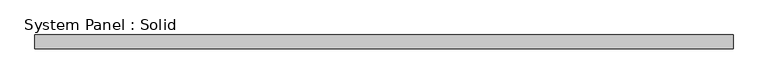
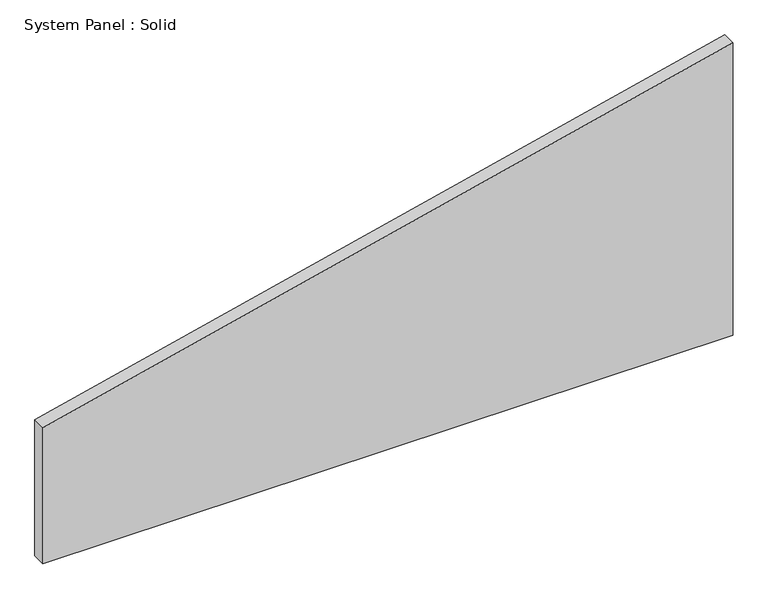
"""IFC4 building model written with IfcOpenShell, lengths in millimetres: plate geometry, System Panel : Solid."""

from ifc_helpers import new_model, si_unit, frame, origin, place, context, project, spatial, polyline, outline, extrude, source, transform, mapped, element, save


def system_panel_solid_9716f445(model_context):
    return source(origin(), model_context, "Body", "SweptSolid", [
        extrude(outline(polyline([(0.0, -1500.0), (0.0, 1500.0), (1343.7865882, 1500.0), (625.555409, -1500.0), (0.0, -1500.0)])), frame((0.0, -10.5, 0.0), z_axis=(0.0, 1.0, 0.0), x_axis=(0.0, 0.0, 1.0)), (0.0, 0.0, 1.0), 60.0),
    ])


if __name__ == "__main__":
    model = new_model("IFC4")
    model_context = context("Model", 3, world=origin())
    ifc_project = project(units=[si_unit("LENGTHUNIT", "METRE", prefix="MILLI")], contexts=[model_context])
    site = spatial("IfcSite", under=ifc_project)
    building = spatial("IfcBuilding", under=site)
    placement = place(None, origin())
    system_panel_solid_shape = system_panel_solid_9716f445(model_context)
    element("IfcPlate", 1, ObjectType="System Panel : Solid", at=placement, inside=building, context=model_context, shape_type="MappedRepresentation", body=[
        mapped(system_panel_solid_shape, transform((0.0, 0.0, 0.0), x_axis=(1.0, 0.0, 0.0), y_axis=(0.0, 1.0, 0.0), z_axis=(0.0, 0.0, 1.0))),
    ])
    save(model, "model.ifc")
